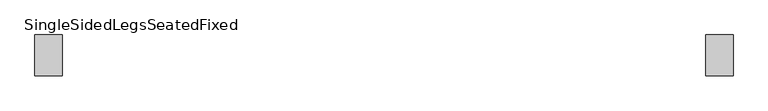
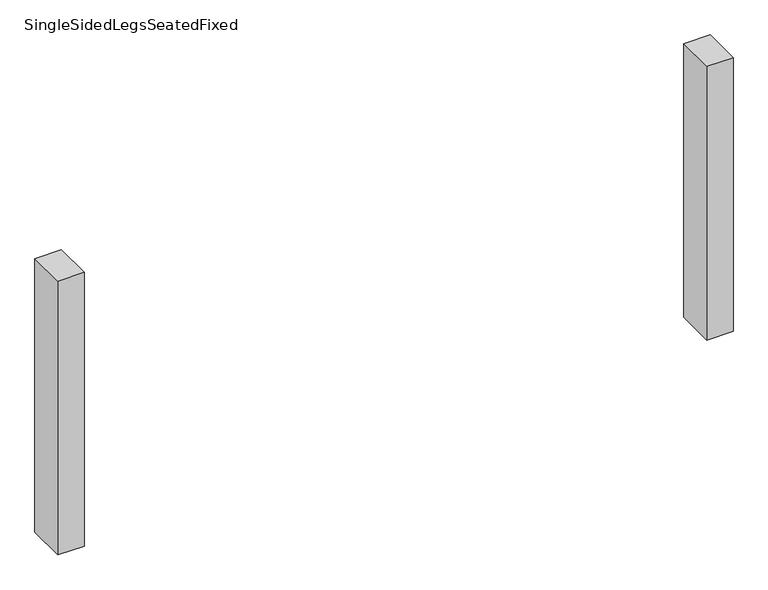
"""IFC4 building model written with IfcOpenShell, lengths in millimetres: furniture geometry, SingleSidedLegsSeatedFixed."""

from ifc_helpers import new_model, si_unit, frame, origin, place, context, project, spatial, polyline, outline, extrude, source, transform, mapped, element, save


def singlesidedlegsseatedfixed_a184b54c(model_context):
    return source(origin(), model_context, "Body", "SweptSolid", [
        extrude(outline(polyline([(709.9999968, -44.9963087), (709.9999968, 45.0036847), (770.0, 45.0036847), (770.0, -44.9963087), (709.9999968, -44.9963087)])), frame((0.0, 0.0, 50.0), z_axis=(0.0, 0.0, 1.0), x_axis=(1.0, 0.0, 0.0)), (0.0, 0.0, 1.0), 660.0),
        extrude(outline(polyline([(-709.9999968, -44.9963087), (-770.0, -44.9963087), (-770.0, 45.0036847), (-709.9999968, 45.0036847), (-709.9999968, -44.9963087)])), frame((0.0, 0.0, 50.0), z_axis=(0.0, 0.0, 1.0), x_axis=(1.0, 0.0, 0.0)), (0.0, 0.0, 1.0), 660.0),
    ])


if __name__ == "__main__":
    model = new_model("IFC4")
    model_context = context("Model", 3, world=origin())
    ifc_project = project(units=[si_unit("LENGTHUNIT", "METRE", prefix="MILLI")], contexts=[model_context])
    site = spatial("IfcSite", under=ifc_project)
    building = spatial("IfcBuilding", under=site)
    placement = place(None, origin())
    singlesidedlegsseatedfixed_shape = singlesidedlegsseatedfixed_a184b54c(model_context)
    element("IfcFurniture", 1, ObjectType="SingleSidedLegsSeatedFixed", at=placement, inside=building, context=model_context, shape_type="MappedRepresentation", body=[
        mapped(singlesidedlegsseatedfixed_shape, transform((0.0, 0.0, 0.0), x_axis=(1.0, 0.0, 0.0), y_axis=(0.0, 1.0, 0.0), z_axis=(0.0, 0.0, 1.0))),
    ])
    save(model, "model.ifc")
